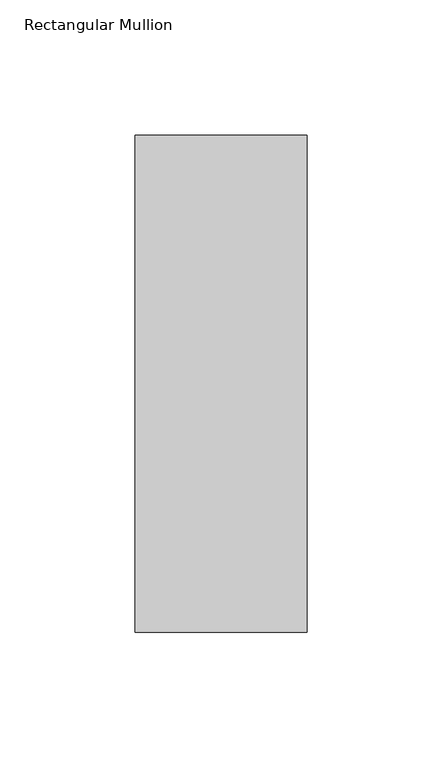
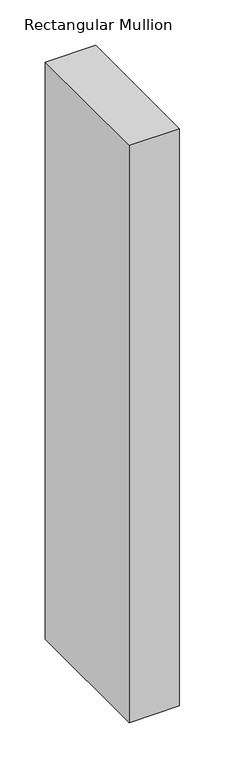
"""IFC4 building model written with IfcOpenShell, lengths in millimetres: member geometry, Rectangular Mullion."""

from ifc_helpers import new_model, si_unit, frame, origin, place, context, project, spatial, polyline, outline, extrude, source, transform, mapped, element, save


def rectangular_mullion_e14d84c9(model_context):
    return source(origin(), model_context, "Body", "SweptSolid", [
        extrude(outline(polyline([(-31.75, 75.803125), (-31.75, 259.4710136), (31.75, 259.4710136), (31.75, 75.803125), (-31.75, 75.803125)])), frame((0.0, 0.0, -774.7), z_axis=(0.0, 0.0, 1.0), x_axis=(1.0, 0.0, 0.0)), (0.0, 0.0, 1.0), 774.7),
    ])


if __name__ == "__main__":
    model = new_model("IFC4")
    model_context = context("Model", 3, world=origin())
    ifc_project = project(units=[si_unit("LENGTHUNIT", "METRE", prefix="MILLI")], contexts=[model_context])
    site = spatial("IfcSite", under=ifc_project)
    building = spatial("IfcBuilding", under=site)
    placement = place(None, origin())
    rectangular_mullion_shape = rectangular_mullion_e14d84c9(model_context)
    element("IfcMember", 1, ObjectType="Rectangular Mullion", at=placement, inside=building, context=model_context, shape_type="MappedRepresentation", body=[
        mapped(rectangular_mullion_shape, transform((0.0, 0.0, 0.0), x_axis=(1.0, 0.0, 0.0), y_axis=(0.0, 1.0, 0.0), z_axis=(0.0, 0.0, 1.0))),
    ])
    save(model, "model.ifc")
